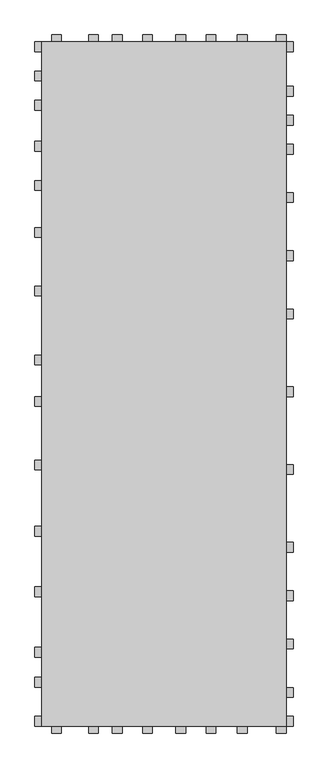
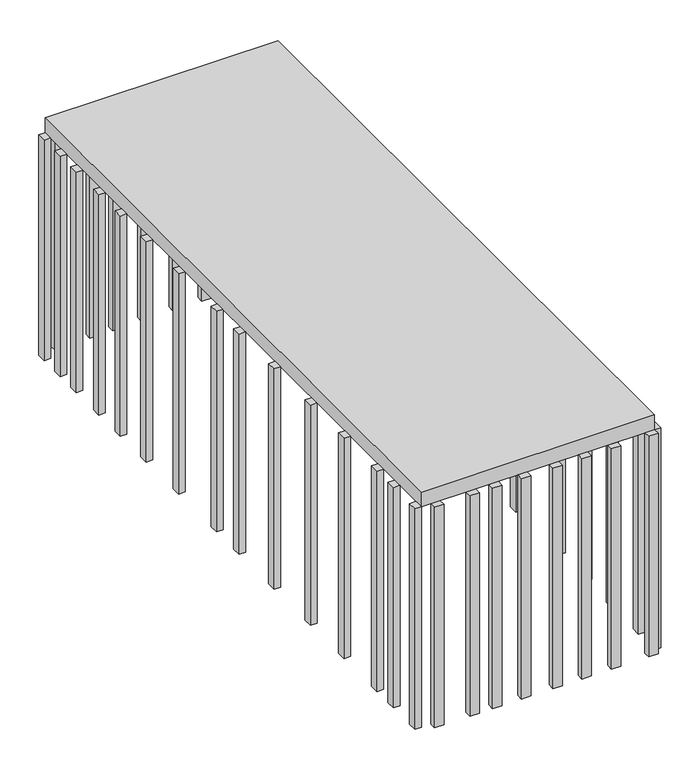
"""IFC4 building model written with IfcOpenShell, lengths in millimetres: proxy geometry."""

from ifc_helpers import new_model, si_unit, frame, origin, origin_with_axes, place, context, project, spatial, polyline, outline, extrude, source, transform, mapped, element, save


def generic_models_371b8a60(model_context):
    return source(origin(), model_context, "Body", "SweptSolid", [
        extrude(outline(polyline([(-2570.0, 0.0), (-2570.0, 100.0), (-2500.0, 100.0), (-2500.0, 0.0), (-2570.0, 0.0)])), frame((0.0, 0.0, -2500.0), z_axis=(0.0, 0.0, 1.0), x_axis=(1.0, 0.0, 0.0)), (0.0, 0.0, 1.0), 2500.0),
        extrude(outline(polyline([(-2570.0, 400.0), (-2570.0, 500.0), (-2500.0, 500.0), (-2500.0, 400.0), (-2570.0, 400.0)])), frame((0.0, 0.0, -2500.0), z_axis=(0.0, 0.0, 1.0), x_axis=(1.0, 0.0, 0.0)), (0.0, 0.0, 1.0), 2500.0),
        extrude(outline(polyline([(-2570.0, 706.7102779), (-2570.0, 806.7102779), (-2500.0, 806.7102779), (-2500.0, 706.7102779), (-2570.0, 706.7102779)])), frame((0.0, 0.0, -2500.0), z_axis=(0.0, 0.0, 1.0), x_axis=(1.0, 0.0, 0.0)), (0.0, 0.0, 1.0), 2500.0),
        extrude(outline(polyline([(-2570.0, 1323.8206399), (-2570.0, 1423.8206399), (-2500.0, 1423.8206399), (-2500.0, 1323.8206399), (-2570.0, 1323.8206399)])), frame((0.0, 0.0, -2500.0), z_axis=(0.0, 0.0, 1.0), x_axis=(1.0, 0.0, 0.0)), (0.0, 0.0, 1.0), 2500.0),
        extrude(outline(polyline([(-2570.0, 1944.2979319), (-2570.0, 2044.2979319), (-2500.0, 2044.2979319), (-2500.0, 1944.2979319), (-2570.0, 1944.2979319)])), frame((0.0, 0.0, -2500.0), z_axis=(0.0, 0.0, 1.0), x_axis=(1.0, 0.0, 0.0)), (0.0, 0.0, 1.0), 2500.0),
        extrude(outline(polyline([(-2570.0, 2621.3422955), (-2570.0, 2721.3422955), (-2500.0, 2721.3422955), (-2500.0, 2621.3422955), (-2570.0, 2621.3422955)])), frame((0.0, 0.0, -2500.0), z_axis=(0.0, 0.0, 1.0), x_axis=(1.0, 0.0, 0.0)), (0.0, 0.0, 1.0), 2500.0),
        extrude(outline(polyline([(-2570.0, 3271.2), (-2570.0, 3371.2), (-2500.0, 3371.2), (-2500.0, 3271.2), (-2570.0, 3271.2)])), frame((0.0, 0.0, -2500.0), z_axis=(0.0, 0.0, 1.0), x_axis=(1.0, 0.0, 0.0)), (0.0, 0.0, 1.0), 2500.0),
        extrude(outline(polyline([(-2570.0, 3694.9391531), (-2570.0, 3794.9391531), (-2500.0, 3794.9391531), (-2500.0, 3694.9391531), (-2570.0, 3694.9391531)])), frame((0.0, 0.0, -2500.0), z_axis=(0.0, 0.0, 1.0), x_axis=(1.0, 0.0, 0.0)), (0.0, 0.0, 1.0), 2500.0),
        extrude(outline(polyline([(-2570.0, 4400.0), (-2570.0, 4500.0), (-2500.0, 4500.0), (-2500.0, 4400.0), (-2570.0, 4400.0)])), frame((0.0, 0.0, -2500.0), z_axis=(0.0, 0.0, 1.0), x_axis=(1.0, 0.0, 0.0)), (0.0, 0.0, 1.0), 2500.0),
        extrude(outline(polyline([(-2570.0, 5000.0), (-2570.0, 5100.0), (-2500.0, 5100.0), (-2500.0, 5000.0), (-2570.0, 5000.0)])), frame((0.0, 0.0, -2500.0), z_axis=(0.0, 0.0, 1.0), x_axis=(1.0, 0.0, 0.0)), (0.0, 0.0, 1.0), 2500.0),
        extrude(outline(polyline([(-2570.0, 5480.0), (-2570.0, 5580.0), (-2500.0, 5580.0), (-2500.0, 5480.0), (-2570.0, 5480.0)])), frame((0.0, 0.0, -2500.0), z_axis=(0.0, 0.0, 1.0), x_axis=(1.0, 0.0, 0.0)), (0.0, 0.0, 1.0), 2500.0),
        extrude(outline(polyline([(-2570.0, 5880.0), (-2570.0, 5980.0), (-2500.0, 5980.0), (-2500.0, 5880.0), (-2570.0, 5880.0)])), frame((0.0, 0.0, -2500.0), z_axis=(0.0, 0.0, 1.0), x_axis=(1.0, 0.0, 0.0)), (0.0, 0.0, 1.0), 2500.0),
        extrude(outline(polyline([(-2570.0, 6300.0), (-2570.0, 6400.0), (-2500.0, 6400.0), (-2500.0, 6300.0), (-2570.0, 6300.0)])), frame((0.0, 0.0, -2500.0), z_axis=(0.0, 0.0, 1.0), x_axis=(1.0, 0.0, 0.0)), (0.0, 0.0, 1.0), 2500.0),
        extrude(outline(polyline([(-2570.0, 6600.0), (-2570.0, 6700.0), (-2500.0, 6700.0), (-2500.0, 6600.0), (-2570.0, 6600.0)])), frame((0.0, 0.0, -2500.0), z_axis=(0.0, 0.0, 1.0), x_axis=(1.0, 0.0, 0.0)), (0.0, 0.0, 1.0), 2500.0),
        extrude(outline(polyline([(-2570.0, 6900.0), (-2570.0, 7000.0), (-2500.0, 7000.0), (-2500.0, 6900.0), (-2570.0, 6900.0)])), frame((0.0, 0.0, -2500.0), z_axis=(0.0, 0.0, 1.0), x_axis=(1.0, 0.0, 0.0)), (0.0, 0.0, 1.0), 2500.0),
        extrude(outline(polyline([(-2400.0, 0.0), (-2300.0, 0.0), (-2300.0, -70.0), (-2400.0, -70.0), (-2400.0, 0.0)])), frame((0.0, 0.0, -2500.0), z_axis=(0.0, 0.0, 1.0), x_axis=(1.0, 0.0, 0.0)), (0.0, 0.0, 1.0), 2500.0),
        extrude(outline(polyline([(-2020.7203316, 0.0), (-1920.7203316, 0.0), (-1920.7203316, -70.0), (-2020.7203316, -70.0), (-2020.7203316, 0.0)])), frame((0.0, 0.0, -2500.0), z_axis=(0.0, 0.0, 1.0), x_axis=(1.0, 0.0, 0.0)), (0.0, 0.0, 1.0), 2500.0),
        extrude(outline(polyline([(-100.0, 0.0), (0.0, 0.0), (0.0, -70.0), (-100.0, -70.0), (-100.0, 0.0)])), frame((0.0, 0.0, -2500.0), z_axis=(0.0, 0.0, 1.0), x_axis=(1.0, 0.0, 0.0)), (0.0, 0.0, 1.0), 2500.0),
        extrude(outline(polyline([(-500.2767301, 0.0), (-400.2767301, 0.0), (-400.2767301, -70.0), (-500.2767301, -70.0), (-500.2767301, 0.0)])), frame((0.0, 0.0, -2500.0), z_axis=(0.0, 0.0, 1.0), x_axis=(1.0, 0.0, 0.0)), (0.0, 0.0, 1.0), 2500.0),
        extrude(outline(polyline([(-1777.1656023, 0.0), (-1677.1656023, 0.0), (-1677.1656023, -70.0), (-1777.1656023, -70.0), (-1777.1656023, 0.0)])), frame((0.0, 0.0, -2500.0), z_axis=(0.0, 0.0, 1.0), x_axis=(1.0, 0.0, 0.0)), (0.0, 0.0, 1.0), 2500.0),
        extrude(outline(polyline([(-1467.4018203, 0.0), (-1367.4018203, 0.0), (-1367.4018203, -70.0), (-1467.4018203, -70.0), (-1467.4018203, 0.0)])), frame((0.0, 0.0, -2500.0), z_axis=(0.0, 0.0, 1.0), x_axis=(1.0, 0.0, 0.0)), (0.0, 0.0, 1.0), 2500.0),
        extrude(outline(polyline([(-1129.2627301, 0.0), (-1029.2627301, 0.0), (-1029.2627301, -70.0), (-1129.2627301, -70.0), (-1129.2627301, 0.0)])), frame((0.0, 0.0, -2500.0), z_axis=(0.0, 0.0, 1.0), x_axis=(1.0, 0.0, 0.0)), (0.0, 0.0, 1.0), 2500.0),
        extrude(outline(polyline([(-818.5582557, 0.0), (-718.5582557, 0.0), (-718.5582557, -70.0), (-818.5582557, -70.0), (-818.5582557, 0.0)])), frame((0.0, 0.0, -2500.0), z_axis=(0.0, 0.0, 1.0), x_axis=(1.0, 0.0, 0.0)), (0.0, 0.0, 1.0), 2500.0),
        extrude(outline(polyline([(-2400.0, 7070.0), (-2300.0, 7070.0), (-2300.0, 7000.0), (-2400.0, 7000.0), (-2400.0, 7070.0)])), frame((0.0, 0.0, -2500.0), z_axis=(0.0, 0.0, 1.0), x_axis=(1.0, 0.0, 0.0)), (0.0, 0.0, 1.0), 2500.0),
        extrude(outline(polyline([(-2020.7203316, 7070.0), (-1920.7203316, 7070.0), (-1920.7203316, 7000.0), (-2020.7203316, 7000.0), (-2020.7203316, 7070.0)])), frame((0.0, 0.0, -2500.0), z_axis=(0.0, 0.0, 1.0), x_axis=(1.0, 0.0, 0.0)), (0.0, 0.0, 1.0), 2500.0),
        extrude(outline(polyline([(-100.0, 7070.0), (0.0, 7070.0), (0.0, 7000.0), (-100.0, 7000.0), (-100.0, 7070.0)])), frame((0.0, 0.0, -2500.0), z_axis=(0.0, 0.0, 1.0), x_axis=(1.0, 0.0, 0.0)), (0.0, 0.0, 1.0), 2500.0),
        extrude(outline(polyline([(-500.2767301, 7070.0), (-400.2767301, 7070.0), (-400.2767301, 7000.0), (-500.2767301, 7000.0), (-500.2767301, 7070.0)])), frame((0.0, 0.0, -2500.0), z_axis=(0.0, 0.0, 1.0), x_axis=(1.0, 0.0, 0.0)), (0.0, 0.0, 1.0), 2500.0),
        extrude(outline(polyline([(-1777.1656023, 7070.0), (-1677.1656023, 7070.0), (-1677.1656023, 7000.0), (-1777.1656023, 7000.0), (-1777.1656023, 7070.0)])), frame((0.0, 0.0, -2500.0), z_axis=(0.0, 0.0, 1.0), x_axis=(1.0, 0.0, 0.0)), (0.0, 0.0, 1.0), 2500.0),
        extrude(outline(polyline([(-1467.4018203, 7070.0), (-1367.4018203, 7070.0), (-1367.4018203, 7000.0), (-1467.4018203, 7000.0), (-1467.4018203, 7070.0)])), frame((0.0, 0.0, -2500.0), z_axis=(0.0, 0.0, 1.0), x_axis=(1.0, 0.0, 0.0)), (0.0, 0.0, 1.0), 2500.0),
        extrude(outline(polyline([(-1129.2627301, 7070.0), (-1029.2627301, 7070.0), (-1029.2627301, 7000.0), (-1129.2627301, 7000.0), (-1129.2627301, 7070.0)])), frame((0.0, 0.0, -2500.0), z_axis=(0.0, 0.0, 1.0), x_axis=(1.0, 0.0, 0.0)), (0.0, 0.0, 1.0), 2500.0),
        extrude(outline(polyline([(-818.5582557, 7070.0), (-718.5582557, 7070.0), (-718.5582557, 7000.0), (-818.5582557, 7000.0), (-818.5582557, 7070.0)])), frame((0.0, 0.0, -2500.0), z_axis=(0.0, 0.0, 1.0), x_axis=(1.0, 0.0, 0.0)), (0.0, 0.0, 1.0), 2500.0),
        extrude(outline(polyline([(70.0, 7000.0), (70.0, 6900.0), (0.0, 6900.0), (0.0, 7000.0), (70.0, 7000.0)])), frame((0.0, 0.0, -2500.0), z_axis=(0.0, 0.0, 1.0), x_axis=(1.0, 0.0, 0.0)), (0.0, 0.0, 1.0), 2500.0),
        extrude(outline(polyline([(70.0, 6542.4), (70.0, 6442.4), (0.0, 6442.4), (0.0, 6542.4), (70.0, 6542.4)])), frame((0.0, 0.0, -2500.0), z_axis=(0.0, 0.0, 1.0), x_axis=(1.0, 0.0, 0.0)), (0.0, 0.0, 1.0), 2500.0),
        extrude(outline(polyline([(70.0, 6247.2), (70.0, 6147.2), (0.0, 6147.2), (0.0, 6247.2), (70.0, 6247.2)])), frame((0.0, 0.0, -2500.0), z_axis=(0.0, 0.0, 1.0), x_axis=(1.0, 0.0, 0.0)), (0.0, 0.0, 1.0), 2500.0),
        extrude(outline(polyline([(70.0, 5952.0), (70.0, 5852.0), (0.0, 5852.0), (0.0, 5952.0), (70.0, 5952.0)])), frame((0.0, 0.0, -2500.0), z_axis=(0.0, 0.0, 1.0), x_axis=(1.0, 0.0, 0.0)), (0.0, 0.0, 1.0), 2500.0),
        extrude(outline(polyline([(70.0, 5456.8), (70.0, 5356.8), (0.0, 5356.8), (0.0, 5456.8), (70.0, 5456.8)])), frame((0.0, 0.0, -2500.0), z_axis=(0.0, 0.0, 1.0), x_axis=(1.0, 0.0, 0.0)), (0.0, 0.0, 1.0), 2500.0),
        extrude(outline(polyline([(70.0, 4861.6), (70.0, 4761.6), (0.0, 4761.6), (0.0, 4861.6), (70.0, 4861.6)])), frame((0.0, 0.0, -2500.0), z_axis=(0.0, 0.0, 1.0), x_axis=(1.0, 0.0, 0.0)), (0.0, 0.0, 1.0), 2500.0),
        extrude(outline(polyline([(70.0, 4266.4), (70.0, 4166.4), (0.0, 4166.4), (0.0, 4266.4), (70.0, 4266.4)])), frame((0.0, 0.0, -2500.0), z_axis=(0.0, 0.0, 1.0), x_axis=(1.0, 0.0, 0.0)), (0.0, 0.0, 1.0), 2500.0),
        extrude(outline(polyline([(70.0, 3471.2), (70.0, 3371.2), (0.0, 3371.2), (0.0, 3471.2), (70.0, 3471.2)])), frame((0.0, 0.0, -2500.0), z_axis=(0.0, 0.0, 1.0), x_axis=(1.0, 0.0, 0.0)), (0.0, 0.0, 1.0), 2500.0),
        extrude(outline(polyline([(70.0, 2676.0), (70.0, 2576.0), (0.0, 2576.0), (0.0, 2676.0), (70.0, 2676.0)])), frame((0.0, 0.0, -2500.0), z_axis=(0.0, 0.0, 1.0), x_axis=(1.0, 0.0, 0.0)), (0.0, 0.0, 1.0), 2500.0),
        extrude(outline(polyline([(70.0, 1880.8), (70.0, 1780.8), (0.0, 1780.8), (0.0, 1880.8), (70.0, 1880.8)])), frame((0.0, 0.0, -2500.0), z_axis=(0.0, 0.0, 1.0), x_axis=(1.0, 0.0, 0.0)), (0.0, 0.0, 1.0), 2500.0),
        extrude(outline(polyline([(70.0, 1385.6), (70.0, 1285.6), (0.0, 1285.6), (0.0, 1385.6), (70.0, 1385.6)])), frame((0.0, 0.0, -2500.0), z_axis=(0.0, 0.0, 1.0), x_axis=(1.0, 0.0, 0.0)), (0.0, 0.0, 1.0), 2500.0),
        extrude(outline(polyline([(70.0, 890.4), (70.0, 790.4), (0.0, 790.4), (0.0, 890.4), (70.0, 890.4)])), frame((0.0, 0.0, -2500.0), z_axis=(0.0, 0.0, 1.0), x_axis=(1.0, 0.0, 0.0)), (0.0, 0.0, 1.0), 2500.0),
        extrude(outline(polyline([(70.0, 395.2), (70.0, 295.2), (0.0, 295.2), (0.0, 395.2), (70.0, 395.2)])), frame((0.0, 0.0, -2500.0), z_axis=(0.0, 0.0, 1.0), x_axis=(1.0, 0.0, 0.0)), (0.0, 0.0, 1.0), 2500.0),
        extrude(outline(polyline([(70.0, 100.0), (70.0, 0.0), (0.0, 0.0), (0.0, 100.0), (70.0, 100.0)])), frame((0.0, 0.0, -2500.0), z_axis=(0.0, 0.0, 1.0), x_axis=(1.0, 0.0, 0.0)), (0.0, 0.0, 1.0), 2500.0),
        extrude(outline(polyline([(-2500.0, 7000.0), (0.0, 7000.0), (0.0, 0.0), (-2500.0, 0.0), (-2500.0, 7000.0)])), origin_with_axes(), (0.0, 0.0, 1.0), 166.6666667),
    ])


if __name__ == "__main__":
    model = new_model("IFC4")
    model_context = context("Model", 3, world=origin())
    ifc_project = project(units=[si_unit("LENGTHUNIT", "METRE", prefix="MILLI")], contexts=[model_context])
    site = spatial("IfcSite", under=ifc_project)
    building = spatial("IfcBuilding", under=site)
    placement = place(None, origin())
    generic_models_shape = generic_models_371b8a60(model_context)
    element("IfcBuildingElementProxy", 1, Name="Generic Models", at=placement, inside=building, context=model_context, shape_type="MappedRepresentation", body=[
        mapped(generic_models_shape, transform((0.0, 0.0, 0.0), x_axis=(1.0, 0.0, 0.0), y_axis=(0.0, 1.0, 0.0), z_axis=(0.0, 0.0, 1.0))),
    ])
    save(model, "model.ifc")
